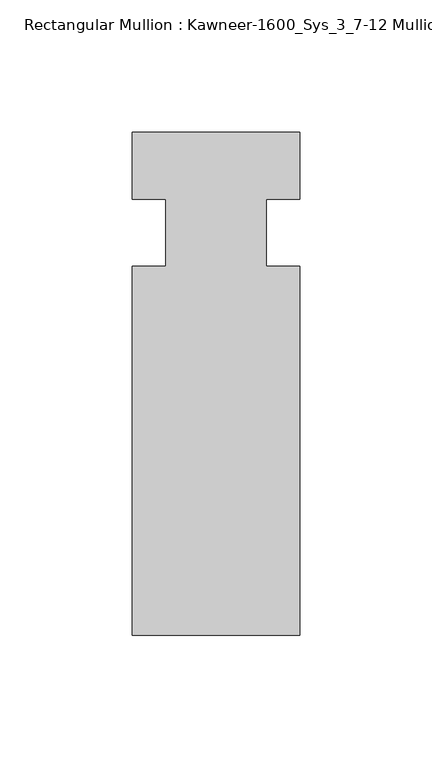
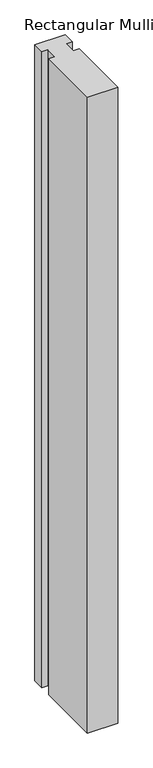
"""IFC4 building model written with IfcOpenShell, lengths in millimetres: member geometry, Rectangular Mullion : Kawneer-1600_Sys_3_7-12 Mullion_Horizontal."""

from ifc_helpers import new_model, si_unit, frame, origin, place, context, project, spatial, polyline, outline, extrude, source, transform, mapped, element, save


def rectangular_mullion_kawneer_1600_sys_3_7_12_mullion_f2a6fdc3(model_context):
    return source(origin(), model_context, "Body", "SweptSolid", [
        extrude(outline(polyline([(36.0844027, -152.4), (-27.4155973, -152.4), (-27.4155973, -12.7), (-14.7155973, -12.7), (-14.7155973, 12.7), (-27.4155973, 12.7), (-27.4155973, 38.1), (36.0844027, 38.1), (36.0844027, 12.7), (23.3826322, 12.7), (23.3826322, -12.7), (36.0844027, -12.7), (36.0844027, -152.4)])), frame((0.0, 0.0, -1409.7), z_axis=(0.0, 0.0, 1.0), x_axis=(1.0, 0.0, 0.0)), (0.0, 0.0, 1.0), 1409.7),
    ])


if __name__ == "__main__":
    model = new_model("IFC4")
    model_context = context("Model", 3, world=origin())
    ifc_project = project(units=[si_unit("LENGTHUNIT", "METRE", prefix="MILLI")], contexts=[model_context])
    site = spatial("IfcSite", under=ifc_project)
    building = spatial("IfcBuilding", under=site)
    placement = place(None, origin())
    rectangular_mullion_kawneer_1600_sys_3_7_12_mullion_shape = rectangular_mullion_kawneer_1600_sys_3_7_12_mullion_f2a6fdc3(model_context)
    element("IfcMember", 1, ObjectType="Rectangular Mullion : Kawneer-1600_Sys_3_7-12 Mullion_Horizontal", at=placement, inside=building, context=model_context, shape_type="MappedRepresentation", body=[
        mapped(rectangular_mullion_kawneer_1600_sys_3_7_12_mullion_shape, transform((0.0, 0.0, 0.0), x_axis=(1.0, 0.0, 0.0), y_axis=(0.0, 1.0, 0.0), z_axis=(0.0, 0.0, 1.0))),
    ])
    save(model, "model.ifc")
